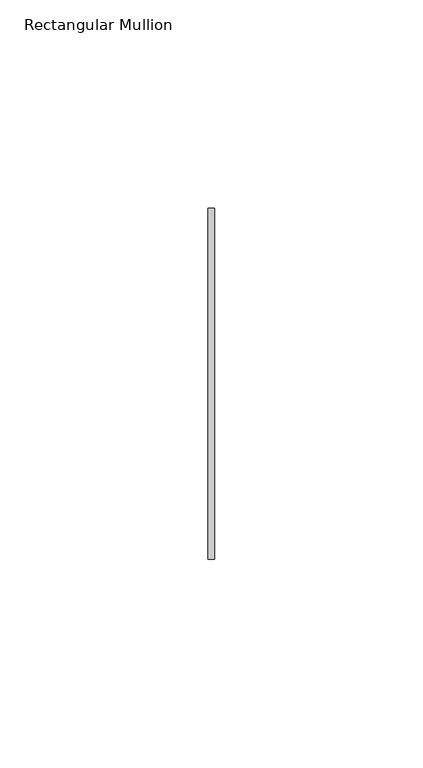
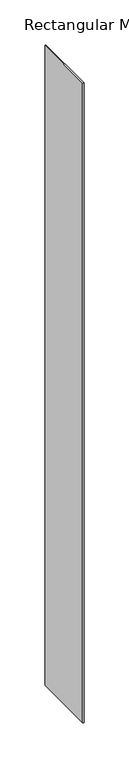
"""IFC4 building model written with IfcOpenShell, lengths in millimetres: member geometry, Rectangular Mullion."""

from ifc_helpers import new_model, si_unit, frame, origin, place, context, project, spatial, polyline, outline, extrude, source, transform, mapped, element, save


def rectangular_mullion_3f0ef875(model_context):
    return source(origin(), model_context, "Body", "SweptSolid", [
        extrude(outline(polyline([(0.0, 42.06875), (0.0, -42.06875), (-1.5875, -42.06875), (-1.5875, 42.06875), (0.0, 42.06875)])), frame((0.0, 0.0, -867.41), z_axis=(0.0, 0.0, 1.0), x_axis=(1.0, 0.0, 0.0)), (0.0, 0.0, 1.0), 867.41),
    ])


if __name__ == "__main__":
    model = new_model("IFC4")
    model_context = context("Model", 3, world=origin())
    ifc_project = project(units=[si_unit("LENGTHUNIT", "METRE", prefix="MILLI")], contexts=[model_context])
    site = spatial("IfcSite", under=ifc_project)
    building = spatial("IfcBuilding", under=site)
    placement = place(None, origin())
    rectangular_mullion_shape = rectangular_mullion_3f0ef875(model_context)
    element("IfcMember", 1, ObjectType="Rectangular Mullion", at=placement, inside=building, context=model_context, shape_type="MappedRepresentation", body=[
        mapped(rectangular_mullion_shape, transform((0.0, 0.0, 0.0), x_axis=(1.0, 0.0, 0.0), y_axis=(0.0, 1.0, 0.0), z_axis=(0.0, 0.0, 1.0))),
    ])
    save(model, "model.ifc")
